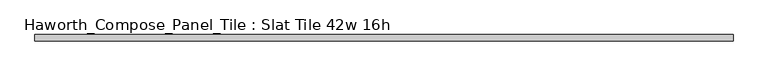
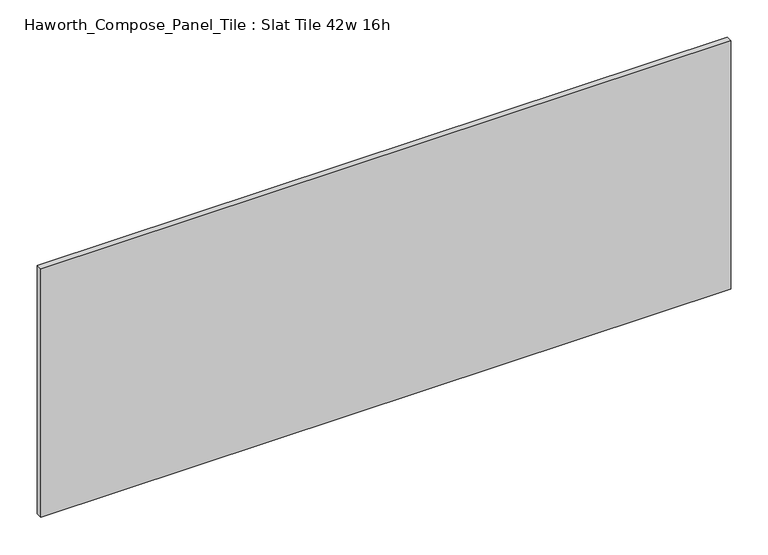
"""IFC4 building model written with IfcOpenShell, lengths in millimetres: furniture geometry, Haworth_Compose_Panel_Tile : Slat Tile 42w 16h."""

from ifc_helpers import new_model, si_unit, frame, origin, place, context, project, spatial, polyline, outline, extrude, source, transform, mapped, element, save


def haworth_compose_panel_tile_slat_tile_42w_16h_52577b4e(model_context):
    return source(origin(), model_context, "Body", "SweptSolid", [
        extrude(outline(polyline([(535.8402902, -25.7218594), (-530.9597098, -25.7218594), (-530.9597098, -16.1968594), (535.8402902, -16.1968594), (535.8402902, -25.7218594)])), frame((0.0, 0.0, 1066.8), z_axis=(0.0, 0.0, 1.0), x_axis=(1.0, 0.0, 0.0)), (0.0, 0.0, 1.0), 406.4),
    ])


if __name__ == "__main__":
    model = new_model("IFC4")
    model_context = context("Model", 3, world=origin())
    ifc_project = project(units=[si_unit("LENGTHUNIT", "METRE", prefix="MILLI")], contexts=[model_context])
    site = spatial("IfcSite", under=ifc_project)
    building = spatial("IfcBuilding", under=site)
    placement = place(None, origin())
    haworth_compose_panel_tile_slat_tile_42w_16h_shape = haworth_compose_panel_tile_slat_tile_42w_16h_52577b4e(model_context)
    element("IfcFurniture", 1, ObjectType="Haworth_Compose_Panel_Tile : Slat Tile 42w 16h", at=placement, inside=building, context=model_context, shape_type="MappedRepresentation", body=[
        mapped(haworth_compose_panel_tile_slat_tile_42w_16h_shape, transform((0.0, 0.0, 0.0), x_axis=(1.0, 0.0, 0.0), y_axis=(0.0, 1.0, 0.0), z_axis=(0.0, 0.0, 1.0))),
    ])
    save(model, "model.ifc")
